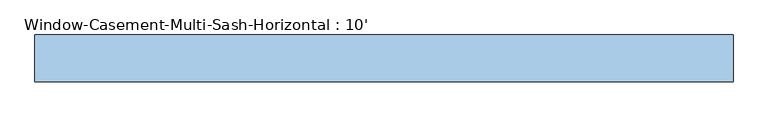
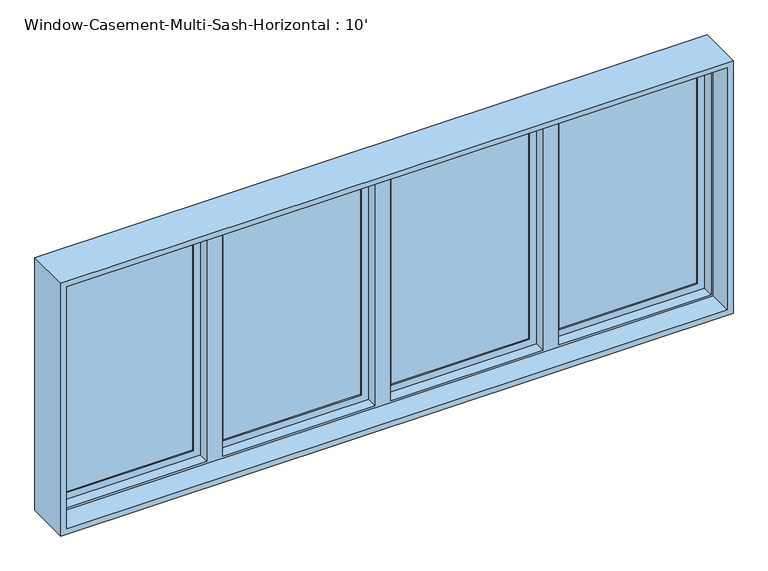
"""IFC4 building model written with IfcOpenShell, lengths in millimetres: window geometry, Window-Casement-Multi-Sash-Horizontal : 10'."""

from ifc_helpers import new_model, si_unit, frame, origin, place, context, project, spatial, polyline, outline, extrude, faceted_brep, source, transform, mapped, element, save


def window_casement_multi_sash_horizontal_10_0d44fcc7(model_context):
    return source(origin(), model_context, "Body", "SolidModel", [
        extrude(outline(polyline([(2095.5, -733.425), (939.8, -733.425), (939.8, -25.4), (2095.5, -25.4), (2095.5, -733.425)]), holes=[polyline([(2053.6296875, -67.2703125), (981.6703125, -67.2703125), (981.6703125, -691.5546875), (2053.6296875, -691.5546875), (2053.6296875, -67.2703125)])]), frame((0.0, 60.325, 0.0), z_axis=(0.0, 1.0, 0.0), x_axis=(0.0, 0.0, 1.0)), (0.0, 0.0, 1.0), 31.75),
        extrude(outline(polyline([(2095.5, 25.4), (939.8, 25.4), (939.8, 733.425), (2095.5, 733.425), (2095.5, 25.4)]), holes=[polyline([(2053.6296875, 691.5546875), (981.6703125, 691.5546875), (981.6703125, 67.2703125), (2053.6296875, 67.2703125), (2053.6296875, 691.5546875)])]), frame((0.0, 60.325, 0.0), z_axis=(0.0, 1.0, 0.0), x_axis=(0.0, 0.0, 1.0)), (0.0, 0.0, 1.0), 31.75),
        faceted_brep([(-784.225, 60.325, 2095.5), (-1492.25, 60.325, 2095.5), (-1492.25, 101.6, 2095.5), (1492.25, 101.6, 2095.5), (1492.25, 60.325, 2095.5), (784.225, 60.325, 2095.5), (784.225, 98.425, 2095.5), (733.425, 98.425, 2095.5), (733.425, 60.325, 2095.5), (25.4, 60.325, 2095.5), (25.4, 98.425, 2095.5), (-25.4, 98.425, 2095.5), (-25.4, 60.325, 2095.5), (-733.425, 60.325, 2095.5), (-733.425, 98.425, 2095.5), (-784.225, 98.425, 2095.5), (-1482.1296875, 9.525, 2085.3796875), (-1482.1296875, 60.325, 2085.3796875), (-794.3453125, 60.325, 2085.3796875), (-794.3453125, 9.525, 2085.3796875), (1482.1296875, 60.325, 2085.3796875), (1482.1296875, 9.525, 2085.3796875), (794.3453125, 9.525, 2085.3796875), (794.3453125, 60.325, 2085.3796875), (-723.3046875, 60.325, 2085.3796875), (-35.5203125, 60.325, 2085.3796875), (-35.5203125, 9.525, 2085.3796875), (-723.3046875, 9.525, 2085.3796875), (35.5203125, 60.325, 2085.3796875), (723.3046875, 60.325, 2085.3796875), (723.3046875, 9.525, 2085.3796875), (35.5203125, 9.525, 2085.3796875), (-1492.25, -101.6, 2095.5), (-1492.25, 9.525, 2095.5), (1492.25, 9.525, 2095.5), (1492.25, -101.6, 2095.5), (-1517.65, 101.6, 2120.9), (-1517.65, -101.6, 2120.9), (1517.65, -101.6, 2120.9), (1517.65, 101.6, 2120.9), (1492.25, 101.6, 939.8), (1492.25, 60.325, 939.8), (1482.1296875, 60.325, 949.9203125), (1482.1296875, 9.525, 949.9203125), (1492.25, 9.525, 939.8), (1492.25, -101.6, 939.8), (1517.65, -101.6, 914.4), (1517.65, 101.6, 914.4), (784.225, 60.325, 939.8), (-1492.25, 101.6, 939.8), (-1492.25, 60.325, 939.8), (-784.225, 60.325, 939.8), (-784.225, 98.425, 939.8), (-733.425, 98.425, 939.8), (-733.425, 60.325, 939.8), (-25.4, 60.325, 939.8), (-25.4, 98.425, 939.8), (25.4, 98.425, 939.8), (25.4, 60.325, 939.8), (733.425, 60.325, 939.8), (733.425, 98.425, 939.8), (784.225, 98.425, 939.8), (794.3453125, 60.325, 949.9203125), (794.3453125, 9.525, 949.9203125), (-1482.1296875, 60.325, 949.9203125), (-1482.1296875, 9.525, 949.9203125), (-794.3453125, 9.525, 949.9203125), (-794.3453125, 60.325, 949.9203125), (-35.5203125, 60.325, 949.9203125), (-723.3046875, 60.325, 949.9203125), (-723.3046875, 9.525, 949.9203125), (-35.5203125, 9.525, 949.9203125), (723.3046875, 60.325, 949.9203125), (35.5203125, 60.325, 949.9203125), (35.5203125, 9.525, 949.9203125), (723.3046875, 9.525, 949.9203125), (-1492.25, 9.525, 939.8), (-1492.25, -101.6, 939.8), (-1517.65, -101.6, 914.4), (-1517.65, 101.6, 914.4)], [[[0, 1, 2, 3, 4, 5, 6, 7, 8, 9, 10, 11, 12, 13, 14, 15]], [[16, 17, 18, 19]], [[20, 21, 22, 23]], [[24, 25, 26, 27]], [[28, 29, 30, 31]], [[32, 33, 34, 35]], [[36, 37, 38, 39]], [[4, 3, 40, 41]], [[21, 20, 42, 43]], [[35, 34, 44, 45]], [[39, 38, 46, 47]], [[48, 41, 40, 49, 50, 51, 52, 53, 54, 55, 56, 57, 58, 59, 60, 61]], [[43, 42, 62, 63]], [[64, 65, 66, 67]], [[68, 69, 70, 71]], [[72, 73, 74, 75]], [[45, 44, 76, 77]], [[47, 46, 78, 79]], [[2, 1, 50, 49]], [[4, 41, 48, 5], [20, 23, 62, 42]], [[50, 1, 0, 51], [64, 67, 18, 17]], [[12, 55, 54, 13], [69, 68, 25, 24]], [[8, 59, 58, 9], [73, 72, 29, 28]], [[17, 16, 65, 64]], [[44, 34, 33, 76], [16, 19, 66, 65], [27, 26, 71, 70], [31, 30, 75, 74], [21, 43, 63, 22]], [[33, 32, 77, 76]], [[38, 37, 78, 46], [32, 35, 45, 77]], [[37, 36, 79, 78]], [[36, 39, 47, 79], [3, 2, 49, 40]], [[18, 67, 66, 19]], [[69, 24, 27, 70]], [[53, 14, 13, 54]], [[14, 53, 52, 15]], [[15, 52, 51, 0]], [[25, 68, 71, 26]], [[73, 28, 31, 74]], [[57, 10, 9, 58]], [[10, 57, 56, 11]], [[11, 56, 55, 12]], [[6, 61, 60, 7]], [[7, 60, 59, 8]], [[29, 72, 75, 30]], [[62, 23, 22, 63]], [[61, 6, 5, 48]]]),
        extrude(outline(polyline([(-67.2703125, 85.725), (-67.2703125, 79.375), (-691.5546875, 79.375), (-691.5546875, 85.725), (-67.2703125, 85.725)])), frame((0.0, 0.0, 981.6703125), z_axis=(0.0, 0.0, 1.0), x_axis=(1.0, 0.0, 0.0)), (0.0, 0.0, 1.0), 1071.959375),
        extrude(outline(polyline([(-67.2703125, 73.025), (-67.2703125, 66.675), (-691.5546875, 66.675), (-691.5546875, 73.025), (-67.2703125, 73.025)])), frame((0.0, 0.0, 981.6703125), z_axis=(0.0, 0.0, 1.0), x_axis=(1.0, 0.0, 0.0)), (0.0, 0.0, 1.0), 1071.959375),
        extrude(outline(polyline([(691.5546875, 85.725), (691.5546875, 79.375), (67.2703125, 79.375), (67.2703125, 85.725), (691.5546875, 85.725)])), frame((0.0, 0.0, 981.6703125), z_axis=(0.0, 0.0, 1.0), x_axis=(1.0, 0.0, 0.0)), (0.0, 0.0, 1.0), 1071.959375),
        extrude(outline(polyline([(691.5546875, 73.025), (691.5546875, 66.675), (67.2703125, 66.675), (67.2703125, 73.025), (691.5546875, 73.025)])), frame((0.0, 0.0, 981.6703125), z_axis=(0.0, 0.0, 1.0), x_axis=(1.0, 0.0, 0.0)), (0.0, 0.0, 1.0), 1071.959375),
        extrude(outline(polyline([(-826.0953125, 85.725), (-826.0953125, 79.375), (-1450.3796875, 79.375), (-1450.3796875, 85.725), (-826.0953125, 85.725)])), frame((0.0, 0.0, 981.6703125), z_axis=(0.0, 0.0, 1.0), x_axis=(1.0, 0.0, 0.0)), (0.0, 0.0, 1.0), 1071.959375),
        extrude(outline(polyline([(-826.0953125, 73.025), (-826.0953125, 66.675), (-1450.3796875, 66.675), (-1450.3796875, 73.025), (-826.0953125, 73.025)])), frame((0.0, 0.0, 981.6703125), z_axis=(0.0, 0.0, 1.0), x_axis=(1.0, 0.0, 0.0)), (0.0, 0.0, 1.0), 1071.959375),
        extrude(outline(polyline([(1450.3796875, 85.725), (1450.3796875, 79.375), (826.0953125, 79.375), (826.0953125, 85.725), (1450.3796875, 85.725)])), frame((0.0, 0.0, 981.6703125), z_axis=(0.0, 0.0, 1.0), x_axis=(1.0, 0.0, 0.0)), (0.0, 0.0, 1.0), 1071.959375),
        extrude(outline(polyline([(1450.3796875, 73.025), (1450.3796875, 66.675), (826.0953125, 66.675), (826.0953125, 73.025), (1450.3796875, 73.025)])), frame((0.0, 0.0, 981.6703125), z_axis=(0.0, 0.0, 1.0), x_axis=(1.0, 0.0, 0.0)), (0.0, 0.0, 1.0), 1071.959375),
        extrude(outline(polyline([(2095.5, -1492.25), (939.8, -1492.25), (939.8, -784.225), (2095.5, -784.225), (2095.5, -1492.25)]), holes=[polyline([(2053.6296875, -826.0953125), (981.6703125, -826.0953125), (981.6703125, -1450.3796875), (2053.6296875, -1450.3796875), (2053.6296875, -826.0953125)])]), frame((0.0, 60.325, 0.0), z_axis=(0.0, 1.0, 0.0), x_axis=(0.0, 0.0, 1.0)), (0.0, 0.0, 1.0), 31.75),
        extrude(outline(polyline([(2095.5, 784.225), (939.8, 784.225), (939.8, 1492.25), (2095.5, 1492.25), (2095.5, 784.225)]), holes=[polyline([(2053.6296875, 1450.3796875), (981.6703125, 1450.3796875), (981.6703125, 826.0953125), (2053.6296875, 826.0953125), (2053.6296875, 1450.3796875)])]), frame((0.0, 60.325, 0.0), z_axis=(0.0, 1.0, 0.0), x_axis=(0.0, 0.0, 1.0)), (0.0, 0.0, 1.0), 31.75),
    ])


if __name__ == "__main__":
    model = new_model("IFC4")
    model_context = context("Model", 3, world=origin())
    ifc_project = project(units=[si_unit("LENGTHUNIT", "METRE", prefix="MILLI")], contexts=[model_context])
    site = spatial("IfcSite", under=ifc_project)
    building = spatial("IfcBuilding", under=site)
    placement = place(None, origin())
    window_casement_multi_sash_horizontal_10_shape = window_casement_multi_sash_horizontal_10_0d44fcc7(model_context)
    element("IfcWindow", 1, ObjectType="Window-Casement-Multi-Sash-Horizontal : 10'", at=placement, inside=building, context=model_context, shape_type="MappedRepresentation", body=[
        mapped(window_casement_multi_sash_horizontal_10_shape, transform((0.0, 0.0, 0.0), x_axis=(1.0, 0.0, 0.0), y_axis=(0.0, 1.0, 0.0), z_axis=(0.0, 0.0, 1.0))),
    ])
    save(model, "model.ifc")
